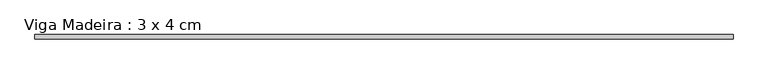
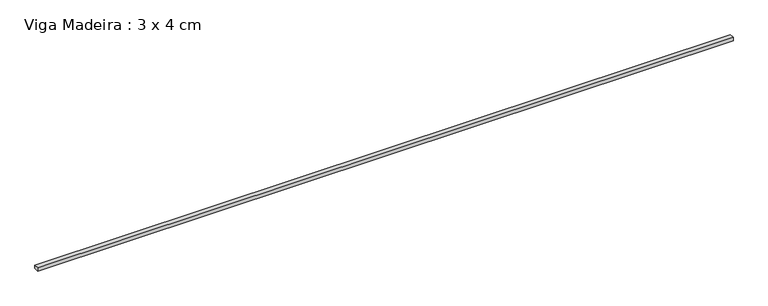
"""IFC4 building model written with IfcOpenShell, lengths in millimetres: beam geometry, Viga Madeira : 3 x 4 cm."""

from ifc_helpers import new_model, si_unit, frame, origin, place, context, project, spatial, polyline, outline, extrude, source, transform, mapped, element, save


def viga_madeira_3_x_4_cm_d4696997(model_context):
    return source(origin(), model_context, "Body", "SweptSolid", [
        extrude(outline(polyline([(3080.3974058, 20.0), (3080.3974058, -20.0), (-3080.3974058, -20.0), (-3080.3974058, 20.0), (3080.3974058, 20.0)])), frame((0.0, 0.0, -15.0), z_axis=(0.0, 0.0, 1.0), x_axis=(1.0, 0.0, 0.0)), (0.0, 0.0, 1.0), 30.0),
    ])


if __name__ == "__main__":
    model = new_model("IFC4")
    model_context = context("Model", 3, world=origin())
    ifc_project = project(units=[si_unit("LENGTHUNIT", "METRE", prefix="MILLI")], contexts=[model_context])
    site = spatial("IfcSite", under=ifc_project)
    building = spatial("IfcBuilding", under=site)
    placement = place(None, origin())
    viga_madeira_3_x_4_cm_shape = viga_madeira_3_x_4_cm_d4696997(model_context)
    element("IfcBeam", 1, ObjectType="Viga Madeira : 3 x 4 cm", at=placement, inside=building, context=model_context, shape_type="MappedRepresentation", body=[
        mapped(viga_madeira_3_x_4_cm_shape, transform((0.0, 0.0, 0.0), x_axis=(1.0, 0.0, 0.0), y_axis=(0.0, 1.0, 0.0), z_axis=(0.0, 0.0, 1.0))),
    ])
    save(model, "model.ifc")
